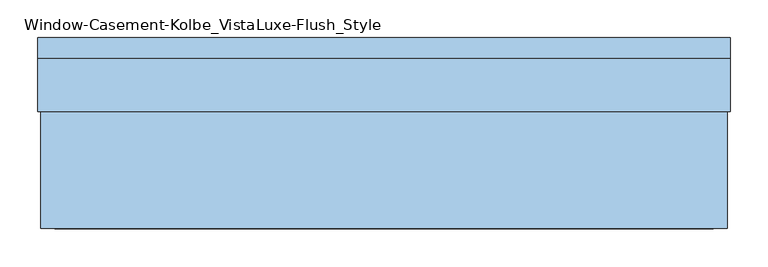
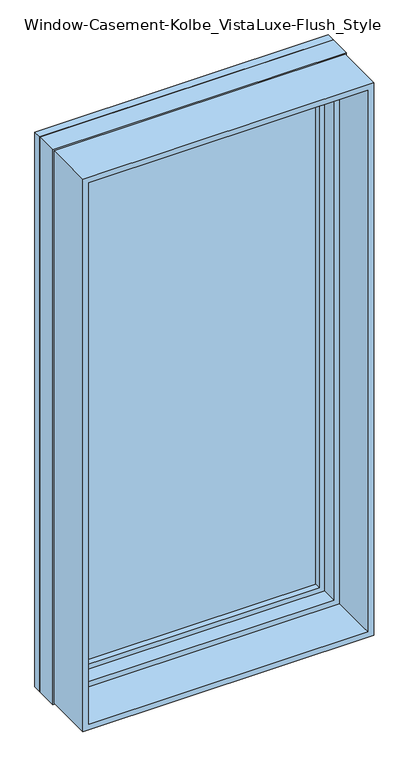
"""IFC4 building model written with IfcOpenShell, lengths in millimetres: window geometry, Window-Casement-Kolbe_VistaLuxe-Flush_Style."""

from ifc_helpers import new_model, si_unit, frame, origin, place, context, project, spatial, polyline, outline, extrude, faceted_brep, source, transform, mapped, element, save


def window_casement_kolbe_vistaluxe_flush_style_4259e8cc(model_context):
    return source(origin(), model_context, "Body", "SolidModel", [
        faceted_brep([(-406.4696599, 130.90398, 970.676875), (395.3765901, 130.90398, 970.676875), (395.3765901, 138.84148, 970.676875), (-406.4696599, 138.84148, 970.676875), (-422.3446599, 108.65358, 954.801875), (411.2515901, 108.65358, 954.801875), (411.2515901, 130.90398, 954.801875), (-422.3446599, 130.90398, 954.801875), (-406.4696599, 89.62898, 970.676875), (395.3765901, 89.62898, 970.676875), (395.3765901, 108.65358, 970.676875), (-406.4696599, 108.65358, 970.676875), (-450.9196599, 138.84148, 926.226875), (439.8265901, 138.84148, 926.226875), (439.8265901, 89.62898, 926.226875), (-450.9196599, 89.62898, 926.226875), (395.3765901, 130.90398, 2686.923125), (395.3765901, 138.84148, 2686.923125), (411.2515901, 108.65358, 2702.798125), (411.2515901, 130.90398, 2702.798125), (395.3765901, 89.62898, 2686.923125), (395.3765901, 108.65358, 2686.923125), (439.8265901, 138.84148, 2731.373125), (439.8265901, 89.62898, 2731.373125), (-406.4696599, 130.90398, 2686.923125), (-406.4696599, 138.84148, 2686.923125), (-422.3446599, 108.65358, 2702.798125), (-422.3446599, 130.90398, 2702.798125), (-406.4696599, 89.62898, 2686.923125), (-406.4696599, 108.65358, 2686.923125), (-450.9196599, 138.84148, 2731.373125), (-450.9196599, 89.62898, 2731.373125)], [[[0, 1, 2, 3]], [[4, 5, 6, 7]], [[8, 9, 10, 11]], [[12, 13, 14, 15]], [[1, 16, 17, 2]], [[5, 18, 19, 6]], [[9, 20, 21, 10]], [[13, 22, 23, 14]], [[16, 24, 25, 17]], [[18, 26, 27, 19]], [[20, 28, 29, 21]], [[22, 30, 31, 23]], [[24, 0, 3, 25]], [[7, 6, 19, 27], [1, 0, 24, 16]], [[26, 4, 7, 27]], [[5, 4, 26, 18], [11, 10, 21, 29]], [[28, 8, 11, 29]], [[15, 14, 23, 31], [9, 8, 28, 20]], [[30, 12, 15, 31]], [[13, 12, 30, 22], [3, 2, 17, 25]]]),
        extrude(outline(polyline([(2739.6186, -459.1651349), (917.9814, -459.1651349), (917.9814, 448.0720651), (2739.6186, 448.0720651), (2739.6186, -459.1651349)]), holes=[polyline([(936.545625, -440.6009099), (2721.054375, -440.6009099), (2721.054375, 429.5078401), (936.545625, 429.5078401), (936.545625, -440.6009099)])]), frame((0.0, -112.7125, 0.0), z_axis=(0.0, 1.0, 0.0), x_axis=(0.0, 0.0, 1.0)), (0.0, 0.0, 1.0), 154.7622),
        extrude(outline(polyline([(2743.2, 451.6534651), (2743.2, -462.7465349), (914.4, -462.7465349), (914.4, 451.6534651), (2743.2, 451.6534651)]), holes=[polyline([(2731.373125, -450.9196599), (2731.373125, 439.8265901), (926.226875, 439.8265901), (926.226875, -450.9196599), (2731.373125, -450.9196599)])]), frame((0.0, 112.7125, 0.0), z_axis=(0.0, 1.0, 0.0), x_axis=(0.0, 0.0, 1.0)), (0.0, 0.0, 1.0), 26.924),
        faceted_brep([(451.6534651, 42.0497, 914.4), (-462.7465349, 42.0497, 914.4), (-462.7465349, 112.7125, 914.4), (451.6534651, 112.7125, 914.4), (429.5078401, 89.63025, 936.545625), (-440.6009099, 89.63025, 936.545625), (-440.6009099, 42.0497, 936.545625), (429.5078401, 42.0497, 936.545625), (439.8265901, 112.7125, 926.226875), (-450.9196599, 112.7125, 926.226875), (-450.9196599, 89.63025, 926.226875), (439.8265901, 89.63025, 926.226875), (-462.7465349, 42.0497, 2743.2), (-462.7465349, 112.7125, 2743.2), (-440.6009099, 89.63025, 2721.054375), (-440.6009099, 42.0497, 2721.054375), (-450.9196599, 112.7125, 2731.373125), (-450.9196599, 89.63025, 2731.373125), (451.6534651, 42.0497, 2743.2), (451.6534651, 112.7125, 2743.2), (429.5078401, 89.63025, 2721.054375), (429.5078401, 42.0497, 2721.054375), (439.8265901, 112.7125, 2731.373125), (439.8265901, 89.63025, 2731.373125)], [[[0, 1, 2, 3]], [[4, 5, 6, 7]], [[8, 9, 10, 11]], [[1, 12, 13, 2]], [[5, 14, 15, 6]], [[9, 16, 17, 10]], [[12, 18, 19, 13]], [[14, 20, 21, 15]], [[16, 22, 23, 17]], [[18, 0, 3, 19]], [[1, 0, 18, 12], [7, 6, 15, 21]], [[20, 4, 7, 21]], [[11, 10, 17, 23], [5, 4, 20, 14]], [[22, 8, 11, 23]], [[3, 2, 13, 19], [9, 8, 22, 16]]]),
        extrude(outline(polyline([(408.0765901, 111.82858), (408.0765901, 108.65358), (-419.1696599, 108.65358), (-419.1696599, 111.82858), (408.0765901, 111.82858)])), frame((0.0, 0.0, 957.976875), z_axis=(0.0, 0.0, 1.0), x_axis=(1.0, 0.0, 0.0)), (0.0, 0.0, 1.0), 1741.64625),
        extrude(outline(polyline([(408.0765901, 127.72898), (-419.1696599, 127.72898), (-419.1696599, 130.90398), (408.0765901, 130.90398), (408.0765901, 127.72898)])), frame((0.0, 0.0, 957.976875), z_axis=(0.0, 0.0, 1.0), x_axis=(1.0, 0.0, 0.0)), (0.0, 0.0, 1.0), 1741.64625),
        extrude(outline(polyline([(936.545625, -440.6009099), (936.545625, 429.5078401), (2721.054375, 429.5078401), (2721.054375, -440.6009099), (936.545625, -440.6009099)]), holes=[polyline([(954.801875, 411.2515901), (954.801875, -422.3446599), (2702.798125, -422.3446599), (2702.798125, 411.2515901), (954.801875, 411.2515901)])]), frame((0.0, 38.83025, 0.0), z_axis=(0.0, 1.0, 0.0), x_axis=(0.0, 0.0, 1.0)), (0.0, 0.0, 1.0), 50.8),
    ])


if __name__ == "__main__":
    model = new_model("IFC4")
    model_context = context("Model", 3, world=origin())
    ifc_project = project(units=[si_unit("LENGTHUNIT", "METRE", prefix="MILLI")], contexts=[model_context])
    site = spatial("IfcSite", under=ifc_project)
    building = spatial("IfcBuilding", under=site)
    placement = place(None, origin())
    window_casement_kolbe_vistaluxe_flush_style_shape = window_casement_kolbe_vistaluxe_flush_style_4259e8cc(model_context)
    element("IfcWindow", 1, ObjectType="Window-Casement-Kolbe_VistaLuxe-Flush_Style", at=placement, inside=building, context=model_context, shape_type="MappedRepresentation", body=[
        mapped(window_casement_kolbe_vistaluxe_flush_style_shape, transform((0.0, 0.0, 0.0), x_axis=(1.0, 0.0, 0.0), y_axis=(0.0, 1.0, 0.0), z_axis=(0.0, 0.0, 1.0))),
    ])
    save(model, "model.ifc")
